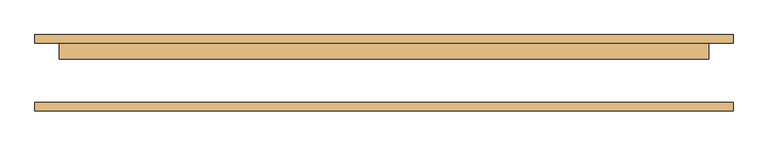
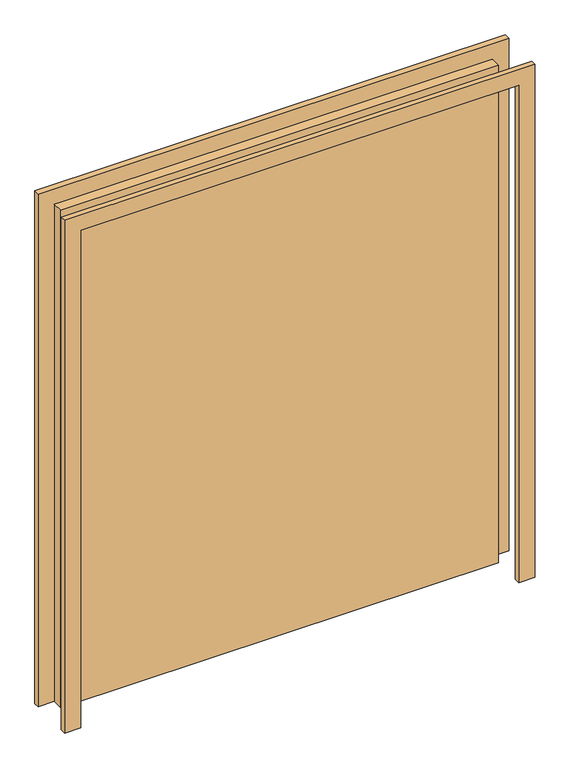
"""IFC4 building model written with IfcOpenShell, lengths in millimetres: door geometry."""

import ifcopenshell
import ifcopenshell.guid

model = None  # the IFC model being written
_history = None  # IfcOwnerHistory: only IFC2X3 demands one
_inside = {}  # id of a spatial element -> (the spatial element, [elements in it])
_under = {}  # id of a project, library or spatial element -> (it, [spatial elements below it])
_declared = {}  # id of a project -> (the project, [libraries it declares])
_typed = {}  # id of a type object -> (the type object, [elements of that type])
_made_of = {}  # id of a material, layer set ... -> (it, [elements and type objects made of it])


def new_model(schema):
    """Start an empty IFC model of exactly this schema.

    Asked for "IFC4X3", IfcOpenShell would pick the latest addendum, in which some entities
    have other attributes; the version numbers below select the first issue.
    IFC2X3 requires an IfcOwnerHistory on every rooted entity: one is made here for all.
    """
    global model, _history
    if schema == "IFC4X3":
        model = ifcopenshell.file(schema_version=(4, 3, 0, 0))
    else:
        model = ifcopenshell.file(schema=schema)
    _inside.clear()
    _under.clear()
    _declared.clear()
    _typed.clear()
    _made_of.clear()
    _history = None
    if model.schema == "IFC2X3":
        org = make("IfcOrganization", Name="unknown")
        user = make(
            "IfcPersonAndOrganization",
            ThePerson=make("IfcPerson", FamilyName="unknown"),
            TheOrganization=org,
        )
        app = make(
            "IfcApplication",
            ApplicationDeveloper=org,
            Version="unknown",
            ApplicationFullName="unknown",
            ApplicationIdentifier="unknown",
        )
        _history = make(
            "IfcOwnerHistory",
            OwningUser=user,
            OwningApplication=app,
            ChangeAction="ADDED",
            CreationDate=0,
        )
    return model


def make(cls, **values):
    """One entity of the class cls with the attributes given. An attribute that is None is left unset."""
    return model.create_entity(
        cls, **{name: value for name, value in values.items() if value is not None}
    )


def rooted(cls, **values):
    """An entity with a GlobalId (a new one), such as an element, a storey or a relation."""
    return make(cls, GlobalId=ifcopenshell.guid.new(), OwnerHistory=_history, **values)


def si_unit(unit_type, name, prefix=None):
    """IfcSIUnit, for example si_unit("LENGTHUNIT", "METRE", prefix="MILLI")."""
    return make("IfcSIUnit", UnitType=unit_type, Prefix=prefix, Name=name)


def assignment(units):
    """IfcUnitAssignment: the units of a project."""
    return None if units is None else make("IfcUnitAssignment", Units=units)


def point(xyz):
    """IfcCartesianPoint."""
    return None if xyz is None else make("IfcCartesianPoint", Coordinates=xyz)


def direction(xyz):
    """IfcDirection."""
    return None if xyz is None else make("IfcDirection", DirectionRatios=xyz)


def frame(location, z_axis=None, x_axis=None):
    """IfcAxis2Placement3D, a coordinate frame: its origin and axes. An axis left out is left unset."""
    return make(
        "IfcAxis2Placement3D",
        Location=point(location),
        Axis=direction(z_axis),
        RefDirection=direction(x_axis),
    )


def origin():
    """The frame at (0, 0, 0) with its axes left unset."""
    return frame((0.0, 0.0, 0.0))


def origin_with_axes():
    """The frame at (0, 0, 0) with the z axis (0, 0, 1) and the x axis (1, 0, 0) written out."""
    return frame((0.0, 0.0, 0.0), z_axis=(0.0, 0.0, 1.0), x_axis=(1.0, 0.0, 0.0))


def place(relative_to, where):
    """IfcLocalPlacement: puts the frame where relative to a parent placement (None: the world)."""
    return make(
        "IfcLocalPlacement", PlacementRelTo=relative_to, RelativePlacement=where
    )


def context(
    kind, dimensions, precision=None, world=None, true_north=None, identifier=None
):
    """IfcGeometricRepresentationContext, for example the 3D "Model" context."""
    return make(
        "IfcGeometricRepresentationContext",
        ContextIdentifier=identifier,
        ContextType=kind,
        CoordinateSpaceDimension=dimensions,
        Precision=precision,
        WorldCoordinateSystem=world,
        TrueNorth=true_north,
    )


def project(units=None, contexts=None):
    """IfcProject with its units and contexts."""
    return rooted(
        "IfcProject",
        Name="project",
        RepresentationContexts=contexts,
        UnitsInContext=assignment(units),
    )


def spatial(cls, under=None, at=None, **own):
    """A site, building, storey or space (cls), placed at a placement, below another one or the project."""
    s = rooted(cls, ObjectPlacement=at, **own)
    if under is not None:
        _under.setdefault(under.id(), (under, []))[1].append(s)
    return s


def polyline(points):
    """IfcPolyline through the points."""
    return make("IfcPolyline", Points=[point(p) for p in points])


def outline(outer, holes=None, kind="AREA"):
    """IfcArbitraryClosedProfileDef: a profile drawn as a closed curve; with holes, ...WithVoids."""
    if holes is None:
        return make("IfcArbitraryClosedProfileDef", ProfileType=kind, OuterCurve=outer)
    return make(
        "IfcArbitraryProfileDefWithVoids",
        ProfileType=kind,
        OuterCurve=outer,
        InnerCurves=holes,
    )


def extrude(swept, where, along, depth):
    """IfcExtrudedAreaSolid: the profile swept, set in the frame where, extruded along a direction by depth."""
    return make(
        "IfcExtrudedAreaSolid",
        SweptArea=swept,
        Position=where,
        ExtrudedDirection=direction(along),
        Depth=depth,
    )


def shape(context_of_items, identifier, shape_type, items):
    """IfcShapeRepresentation: the items that make up one representation, for example the "Body"."""
    return make(
        "IfcShapeRepresentation",
        ContextOfItems=context_of_items,
        RepresentationIdentifier=identifier,
        RepresentationType=shape_type,
        Items=items,
    )


def source(mapping_origin, context_of_items, identifier, shape_type, items):
    """IfcRepresentationMap: a shape defined once, which mapped items show again and again."""
    return make(
        "IfcRepresentationMap",
        MappingOrigin=mapping_origin,
        MappedRepresentation=shape(context_of_items, identifier, shape_type, items),
    )


def transform(
    local_origin,
    x_axis=None,
    y_axis=None,
    z_axis=None,
    scale=None,
    scale2=None,
    scale3=None,
    uniform=True,
):
    """IfcCartesianTransformationOperator3D, or its non-uniform kind. x_axis, y_axis, z_axis: its Axis1, 2, 3."""
    if uniform:
        return make(
            "IfcCartesianTransformationOperator3D",
            Axis1=direction(x_axis),
            Axis2=direction(y_axis),
            LocalOrigin=point(local_origin),
            Scale=scale,
            Axis3=direction(z_axis),
        )
    return make(
        "IfcCartesianTransformationOperator3DnonUniform",
        Axis1=direction(x_axis),
        Axis2=direction(y_axis),
        LocalOrigin=point(local_origin),
        Scale=scale,
        Axis3=direction(z_axis),
        Scale2=scale2,
        Scale3=scale3,
    )


def mapped(mapping_source, mapping_target):
    """IfcMappedItem: shows the shape of a source again, moved by a transform."""
    return make(
        "IfcMappedItem", MappingSource=mapping_source, MappingTarget=mapping_target
    )


def made_of(thing, what):
    """Note that an element or type object is made of a material, layer set ...; save() writes the relation."""
    if what is not None:
        _made_of.setdefault(what.id(), (what, []))[1].append(thing)
    return thing


def element(
    cls,
    number,
    at=None,
    inside=None,
    cuts=None,
    type_object=None,
    material=None,
    context=None,
    identifier="Body",
    shape_type=None,
    held_by="IfcProductDefinitionShape",
    body=None,
    shapes=None,
    **own,
):
    """One element of the class cls, such as IfcWall. Its Tag is "e" and its number.

    at: its placement. inside: the storey or other place that contains it. cuts: it is an
    opening in that element (IfcRelVoidsElement). A single representation is given by context,
    identifier, shape_type and body (its items); several are given by shapes. held_by: the class
    of the entity that holds the representations. save() writes the other relations.
    """
    e = rooted(cls, Tag="e%d" % number, ObjectPlacement=at, **own)
    if body is not None:
        shapes = [shape(context, identifier, shape_type, body)]
    if shapes is not None:
        e.Representation = make(held_by, Representations=shapes)
    if inside is not None:
        _inside.setdefault(inside.id(), (inside, []))[1].append(e)
    if cuts is not None:
        rooted(
            "IfcRelVoidsElement", RelatingBuildingElement=cuts, RelatedOpeningElement=e
        )
    if type_object is not None:
        _typed.setdefault(type_object.id(), (type_object, []))[1].append(e)
    return made_of(e, material)


def aggregate(whole, parts):
    """IfcRelAggregates: a whole, such as a stair, and the parts it consists of."""
    return rooted("IfcRelAggregates", RelatingObject=whole, RelatedObjects=parts)


def save(model, path):
    """Write the relations noted so far, then the file.

    IfcRelAggregates (storeys below a building ...), IfcRelContainedInSpatialStructure (elements
    in a storey), IfcRelDefinesByType, IfcRelAssociatesMaterial and IfcRelDeclares: one each for
    every whole, place, type object, material and project.
    """
    for whole, parts in _under.values():
        aggregate(whole, parts)
    for where, things in _inside.values():
        rooted(
            "IfcRelContainedInSpatialStructure",
            RelatedElements=things,
            RelatingStructure=where,
        )
    for kind, things in _typed.values():
        rooted("IfcRelDefinesByType", RelatedObjects=things, RelatingType=kind)
    for what, things in _made_of.values():
        rooted("IfcRelAssociatesMaterial", RelatedObjects=things, RelatingMaterial=what)
    for by, libraries in _declared.values():
        rooted("IfcRelDeclares", RelatingContext=by, RelatedDefinitions=libraries)
    model.write(path)


def door_9e962b7e(model_context):
    return source(origin(), model_context, "Body", "SweptSolid", [
        extrude(outline(polyline([(2514.6, -1092.2), (0.0, -1092.2), (0.0, -1016.0), (2438.4, -1016.0), (2438.4, 1016.0), (0.0, 1016.0), (0.0, 1092.2), (2514.6, 1092.2), (2514.6, -1092.2)])), frame((0.0, 93.6625, 0.0), z_axis=(0.0, 1.0, 0.0), x_axis=(0.0, 0.0, 1.0)), (0.0, 0.0, 1.0), 25.4),
        extrude(outline(polyline([(2514.6, 1092.2), (2514.6, -1092.2), (0.0, -1092.2), (0.0, -1016.0), (2438.4, -1016.0), (2438.4, 1016.0), (0.0, 1016.0), (0.0, 1092.2), (2514.6, 1092.2)])), frame((0.0, -119.0625, 0.0), z_axis=(0.0, 1.0, 0.0), x_axis=(0.0, 0.0, 1.0)), (0.0, 0.0, 1.0), 25.4),
        extrude(outline(polyline([(1016.0, 42.8625), (-1016.0, 42.8625), (-1016.0, 93.6625), (1016.0, 93.6625), (1016.0, 42.8625)])), origin_with_axes(), (0.0, 0.0, 1.0), 2438.4),
    ])


if __name__ == "__main__":
    model = new_model("IFC4")
    model_context = context("Model", 3, world=origin())
    ifc_project = project(units=[si_unit("LENGTHUNIT", "METRE", prefix="MILLI")], contexts=[model_context])
    site = spatial("IfcSite", under=ifc_project)
    building = spatial("IfcBuilding", under=site)
    placement = place(None, origin())
    door_shape = door_9e962b7e(model_context)
    element("IfcDoor", 1, at=placement, inside=building, context=model_context, shape_type="MappedRepresentation", body=[
        mapped(door_shape, transform((0.0, 0.0, 0.0), x_axis=(1.0, 0.0, 0.0), y_axis=(0.0, 1.0, 0.0), z_axis=(0.0, 0.0, 1.0))),
    ])
    save(model, "model.ifc")
